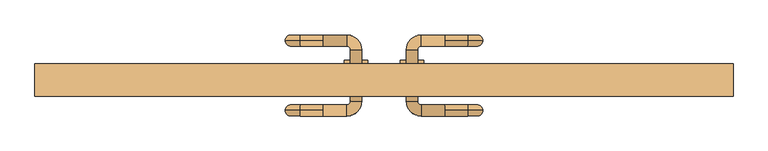
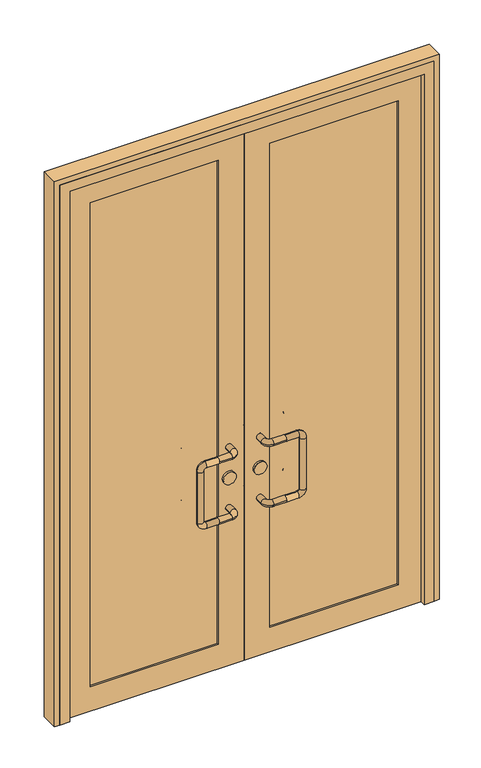
"""IFC4 building model written with IfcOpenShell, lengths in millimetres: door geometry."""

import ifcopenshell
import ifcopenshell.guid

model = None  # the IFC model being written
_history = None  # IfcOwnerHistory: only IFC2X3 demands one
_inside = {}  # id of a spatial element -> (the spatial element, [elements in it])
_under = {}  # id of a project, library or spatial element -> (it, [spatial elements below it])
_declared = {}  # id of a project -> (the project, [libraries it declares])
_typed = {}  # id of a type object -> (the type object, [elements of that type])
_made_of = {}  # id of a material, layer set ... -> (it, [elements and type objects made of it])


def new_model(schema):
    """Start an empty IFC model of exactly this schema.

    Asked for "IFC4X3", IfcOpenShell would pick the latest addendum, in which some entities
    have other attributes; the version numbers below select the first issue.
    IFC2X3 requires an IfcOwnerHistory on every rooted entity: one is made here for all.
    """
    global model, _history
    if schema == "IFC4X3":
        model = ifcopenshell.file(schema_version=(4, 3, 0, 0))
    else:
        model = ifcopenshell.file(schema=schema)
    _inside.clear()
    _under.clear()
    _declared.clear()
    _typed.clear()
    _made_of.clear()
    _history = None
    if model.schema == "IFC2X3":
        org = make("IfcOrganization", Name="unknown")
        user = make(
            "IfcPersonAndOrganization",
            ThePerson=make("IfcPerson", FamilyName="unknown"),
            TheOrganization=org,
        )
        app = make(
            "IfcApplication",
            ApplicationDeveloper=org,
            Version="unknown",
            ApplicationFullName="unknown",
            ApplicationIdentifier="unknown",
        )
        _history = make(
            "IfcOwnerHistory",
            OwningUser=user,
            OwningApplication=app,
            ChangeAction="ADDED",
            CreationDate=0,
        )
    return model


def make(cls, **values):
    """One entity of the class cls with the attributes given. An attribute that is None is left unset."""
    return model.create_entity(
        cls, **{name: value for name, value in values.items() if value is not None}
    )


def rooted(cls, **values):
    """An entity with a GlobalId (a new one), such as an element, a storey or a relation."""
    return make(cls, GlobalId=ifcopenshell.guid.new(), OwnerHistory=_history, **values)


def si_unit(unit_type, name, prefix=None):
    """IfcSIUnit, for example si_unit("LENGTHUNIT", "METRE", prefix="MILLI")."""
    return make("IfcSIUnit", UnitType=unit_type, Prefix=prefix, Name=name)


def assignment(units):
    """IfcUnitAssignment: the units of a project."""
    return None if units is None else make("IfcUnitAssignment", Units=units)


def point(xyz):
    """IfcCartesianPoint."""
    return None if xyz is None else make("IfcCartesianPoint", Coordinates=xyz)


def direction(xyz):
    """IfcDirection."""
    return None if xyz is None else make("IfcDirection", DirectionRatios=xyz)


def frame(location, z_axis=None, x_axis=None):
    """IfcAxis2Placement3D, a coordinate frame: its origin and axes. An axis left out is left unset."""
    return make(
        "IfcAxis2Placement3D",
        Location=point(location),
        Axis=direction(z_axis),
        RefDirection=direction(x_axis),
    )


def frame_2d(location, x_axis=None):
    """IfcAxis2Placement2D, a coordinate frame in the plane: its origin and x axis."""
    return make(
        "IfcAxis2Placement2D", Location=point(location), RefDirection=direction(x_axis)
    )


def origin():
    """The frame at (0, 0, 0) with its axes left unset."""
    return frame((0.0, 0.0, 0.0))


def place(relative_to, where):
    """IfcLocalPlacement: puts the frame where relative to a parent placement (None: the world)."""
    return make(
        "IfcLocalPlacement", PlacementRelTo=relative_to, RelativePlacement=where
    )


def context(
    kind, dimensions, precision=None, world=None, true_north=None, identifier=None
):
    """IfcGeometricRepresentationContext, for example the 3D "Model" context."""
    return make(
        "IfcGeometricRepresentationContext",
        ContextIdentifier=identifier,
        ContextType=kind,
        CoordinateSpaceDimension=dimensions,
        Precision=precision,
        WorldCoordinateSystem=world,
        TrueNorth=true_north,
    )


def project(units=None, contexts=None):
    """IfcProject with its units and contexts."""
    return rooted(
        "IfcProject",
        Name="project",
        RepresentationContexts=contexts,
        UnitsInContext=assignment(units),
    )


def spatial(cls, under=None, at=None, **own):
    """A site, building, storey or space (cls), placed at a placement, below another one or the project."""
    s = rooted(cls, ObjectPlacement=at, **own)
    if under is not None:
        _under.setdefault(under.id(), (under, []))[1].append(s)
    return s


def polyline(points):
    """IfcPolyline through the points."""
    return make("IfcPolyline", Points=[point(p) for p in points])


def circle_curve(where, radius):
    """IfcCircle in the frame where."""
    return make("IfcCircle", Position=where, Radius=radius)


def ellipse_curve(where, semi_axis1, semi_axis2):
    """IfcEllipse in the frame where."""
    return make(
        "IfcEllipse", Position=where, SemiAxis1=semi_axis1, SemiAxis2=semi_axis2
    )


def trimmed(basis, trim1, trim2, sense, master):
    """IfcTrimmedCurve: the piece of a basis curve between two trims."""
    return make(
        "IfcTrimmedCurve",
        BasisCurve=basis,
        Trim1=trim1,
        Trim2=trim2,
        SenseAgreement=sense,
        MasterRepresentation=master,
    )


def segment(curve, same_sense, transition):
    """IfcCompositeCurveSegment."""
    return make(
        "IfcCompositeCurveSegment",
        Transition=transition,
        SameSense=same_sense,
        ParentCurve=curve,
    )


def composite_curve(segments, self_intersect=None):
    """IfcCompositeCurve: segments joined end to end."""
    return make("IfcCompositeCurve", Segments=segments, SelfIntersect=self_intersect)


def outline(outer, holes=None, kind="AREA"):
    """IfcArbitraryClosedProfileDef: a profile drawn as a closed curve; with holes, ...WithVoids."""
    if holes is None:
        return make("IfcArbitraryClosedProfileDef", ProfileType=kind, OuterCurve=outer)
    return make(
        "IfcArbitraryProfileDefWithVoids",
        ProfileType=kind,
        OuterCurve=outer,
        InnerCurves=holes,
    )


def extrude(swept, where, along, depth):
    """IfcExtrudedAreaSolid: the profile swept, set in the frame where, extruded along a direction by depth."""
    return make(
        "IfcExtrudedAreaSolid",
        SweptArea=swept,
        Position=where,
        ExtrudedDirection=direction(along),
        Depth=depth,
    )


def faces_of(points, faces, orient=None, outer=None):
    """IfcFace entities. A face is a list of loops; a loop is a list of indices into points, from 0.

    orient and outer hold one flag for each loop. By default every Orientation is true, the
    first loop of a face is its IfcFaceOuterBound and the others are IfcFaceBound.
    """
    made = []
    for i, loops in enumerate(faces):
        bounds = []
        for j, loop in enumerate(loops):
            is_outer = j == 0 if outer is None else outer[i][j]
            bounds.append(
                make(
                    "IfcFaceOuterBound" if is_outer else "IfcFaceBound",
                    Bound=make("IfcPolyLoop", Polygon=[points[k] for k in loop]),
                    Orientation=True if orient is None else orient[i][j],
                )
            )
        made.append(make("IfcFace", Bounds=bounds))
    return made


def faceted_brep(points, faces, orient=None, outer=None, voids=None):
    """IfcFacetedBrep: a solid bounded by flat faces; with voids (closed shells), ...WithVoids."""
    shared = [point(p) for p in points]
    hull = make("IfcClosedShell", CfsFaces=faces_of(shared, faces, orient, outer))
    if voids is None:
        return make("IfcFacetedBrep", Outer=hull)
    return make(
        "IfcFacetedBrepWithVoids",
        Outer=hull,
        Voids=[
            make(cls, CfsFaces=faces_of(shared, fs, o, b)) for cls, fs, o, b in voids
        ],
    )


def shape(context_of_items, identifier, shape_type, items):
    """IfcShapeRepresentation: the items that make up one representation, for example the "Body"."""
    return make(
        "IfcShapeRepresentation",
        ContextOfItems=context_of_items,
        RepresentationIdentifier=identifier,
        RepresentationType=shape_type,
        Items=items,
    )


def source(mapping_origin, context_of_items, identifier, shape_type, items):
    """IfcRepresentationMap: a shape defined once, which mapped items show again and again."""
    return make(
        "IfcRepresentationMap",
        MappingOrigin=mapping_origin,
        MappedRepresentation=shape(context_of_items, identifier, shape_type, items),
    )


def transform(
    local_origin,
    x_axis=None,
    y_axis=None,
    z_axis=None,
    scale=None,
    scale2=None,
    scale3=None,
    uniform=True,
):
    """IfcCartesianTransformationOperator3D, or its non-uniform kind. x_axis, y_axis, z_axis: its Axis1, 2, 3."""
    if uniform:
        return make(
            "IfcCartesianTransformationOperator3D",
            Axis1=direction(x_axis),
            Axis2=direction(y_axis),
            LocalOrigin=point(local_origin),
            Scale=scale,
            Axis3=direction(z_axis),
        )
    return make(
        "IfcCartesianTransformationOperator3DnonUniform",
        Axis1=direction(x_axis),
        Axis2=direction(y_axis),
        LocalOrigin=point(local_origin),
        Scale=scale,
        Axis3=direction(z_axis),
        Scale2=scale2,
        Scale3=scale3,
    )


def mapped(mapping_source, mapping_target):
    """IfcMappedItem: shows the shape of a source again, moved by a transform."""
    return make(
        "IfcMappedItem", MappingSource=mapping_source, MappingTarget=mapping_target
    )


def made_of(thing, what):
    """Note that an element or type object is made of a material, layer set ...; save() writes the relation."""
    if what is not None:
        _made_of.setdefault(what.id(), (what, []))[1].append(thing)
    return thing


def element(
    cls,
    number,
    at=None,
    inside=None,
    cuts=None,
    type_object=None,
    material=None,
    context=None,
    identifier="Body",
    shape_type=None,
    held_by="IfcProductDefinitionShape",
    body=None,
    shapes=None,
    **own,
):
    """One element of the class cls, such as IfcWall. Its Tag is "e" and its number.

    at: its placement. inside: the storey or other place that contains it. cuts: it is an
    opening in that element (IfcRelVoidsElement). A single representation is given by context,
    identifier, shape_type and body (its items); several are given by shapes. held_by: the class
    of the entity that holds the representations. save() writes the other relations.
    """
    e = rooted(cls, Tag="e%d" % number, ObjectPlacement=at, **own)
    if body is not None:
        shapes = [shape(context, identifier, shape_type, body)]
    if shapes is not None:
        e.Representation = make(held_by, Representations=shapes)
    if inside is not None:
        _inside.setdefault(inside.id(), (inside, []))[1].append(e)
    if cuts is not None:
        rooted(
            "IfcRelVoidsElement", RelatingBuildingElement=cuts, RelatedOpeningElement=e
        )
    if type_object is not None:
        _typed.setdefault(type_object.id(), (type_object, []))[1].append(e)
    return made_of(e, material)


def aggregate(whole, parts):
    """IfcRelAggregates: a whole, such as a stair, and the parts it consists of."""
    return rooted("IfcRelAggregates", RelatingObject=whole, RelatedObjects=parts)


def save(model, path):
    """Write the relations noted so far, then the file.

    IfcRelAggregates (storeys below a building ...), IfcRelContainedInSpatialStructure (elements
    in a storey), IfcRelDefinesByType, IfcRelAssociatesMaterial and IfcRelDeclares: one each for
    every whole, place, type object, material and project.
    """
    for whole, parts in _under.values():
        aggregate(whole, parts)
    for where, things in _inside.values():
        rooted(
            "IfcRelContainedInSpatialStructure",
            RelatedElements=things,
            RelatingStructure=where,
        )
    for kind, things in _typed.values():
        rooted("IfcRelDefinesByType", RelatedObjects=things, RelatingType=kind)
    for what, things in _made_of.values():
        rooted("IfcRelAssociatesMaterial", RelatedObjects=things, RelatingMaterial=what)
    for by, libraries in _declared.values():
        rooted("IfcRelDeclares", RelatingContext=by, RelatedDefinitions=libraries)
    model.write(path)


def cylinder_surface(at, radius):
    """IfcCylindricalSurface: all points at the distance radius from the z axis of the frame at."""
    return make("IfcCylindricalSurface", Position=at, Radius=radius)


def revolved_surface(curve, axis_point, axis_direction):
    """IfcSurfaceOfRevolution: the curve turned about the line through axis_point along axis_direction."""
    return make(
        "IfcSurfaceOfRevolution",
        SweptCurve=make("IfcArbitraryOpenProfileDef", ProfileType="CURVE", Curve=curve),
        AxisPosition=make("IfcAxis1Placement", Location=point(axis_point), Axis=direction(axis_direction)),
    )


def advanced_brep(points, edges, surfaces, faces):
    """IfcAdvancedBrep: a solid bounded by faces that lie on surfaces and meet in shared edges.

    An edge is (start, end): straight between two places in points (the first is 0);
    or (start, end, curve); or (start, end, curve, False) where it runs against its curve.
    A face is (place in surfaces, loops), or (place, loops, False) where it looks against
    its surface's normal. A loop lists edges by number (the first is 1), with a minus sign
    where the edge is run from its end to its start. The first loop is the outer one.
    """
    corners = [point(p) for p in points]
    vertices = [make("IfcVertexPoint", VertexGeometry=c) for c in corners]
    made = []
    for start, end, *more in edges:
        made.append(
            make(
                "IfcEdgeCurve",
                EdgeStart=vertices[start],
                EdgeEnd=vertices[end],
                EdgeGeometry=more[0] if more else make("IfcPolyline", Points=[corners[start], corners[end]]),
                SameSense=more[1] if len(more) > 1 else True,
            )
        )
    hull = []
    for where, loops, *sense in faces:
        bounds = []
        for j, loop in enumerate(loops):
            ring = [make("IfcOrientedEdge", EdgeElement=made[abs(k) - 1], Orientation=k > 0) for k in loop]
            bounds.append(
                make(
                    "IfcFaceOuterBound" if j == 0 else "IfcFaceBound",
                    Bound=make("IfcEdgeLoop", EdgeList=ring),
                    Orientation=True,
                )
            )
        hull.append(make("IfcAdvancedFace", Bounds=bounds, FaceSurface=surfaces[where], SameSense=sense[0] if sense else True))
    return make("IfcAdvancedBrep", Outer=make("IfcClosedShell", CfsFaces=hull))


def door_b24e031a(model_context):
    return source(origin(), model_context, "Body", "SolidModel", [
        advanced_brep(
        [(-130.0, 62.0, 900.0), (-130.0, 50.0, 912.0), (-130.0, 38.0, 900.0), (-80.0, 38.0, 900.0), (-80.0, 62.0, 900.0), (-130.0, 50.0, 888.0), (-72.0, 30.0, 900.0), (-48.0, 30.0, 900.0), (-72.0, -80.0, 900.0), (-48.0, -80.0, 900.0), (-80.0, -88.0, 900.0), (-80.0, -112.0, 900.0), (-130.0, -88.0, 900.0), (-130.0, -100.0, 912.0), (-130.0, -112.0, 900.0), (-130.0, -100.0, 888.0), (-180.0, 50.0, 912.0), (-180.0, 50.0, 888.0), (-212.0, 50.0, 880.0), (-188.0, 50.0, 880.0), (-212.0, 50.0, 670.0), (-188.0, 50.0, 670.0), (-180.0, 50.0, 638.0), (-180.0, 50.0, 662.0), (-130.0, 50.0, 638.0), (-130.0, 38.0, 650.0), (-130.0, 50.0, 662.0), (-130.0, 62.0, 650.0), (-80.0, 38.0, 650.0), (-80.0, 62.0, 650.0), (-72.0, 30.0, 650.0), (-48.0, 30.0, 650.0), (-72.0, -80.0, 650.0), (-48.0, -80.0, 650.0), (-80.0, -88.0, 650.0), (-80.0, -112.0, 650.0), (-130.0, -88.0, 650.0), (-130.0, -100.0, 662.0), (-130.0, -112.0, 650.0), (-130.0, -100.0, 638.0), (-180.0, -100.0, 912.0), (-180.0, -100.0, 888.0), (-212.0, -100.0, 880.0), (-188.0, -100.0, 880.0), (-212.0, -100.0, 670.0), (-188.0, -100.0, 670.0), (-180.0, -100.0, 638.0), (-180.0, -100.0, 662.0)],
        [
            (0, 1, circle_curve(frame((-130.0, 50.0, 900.0), z_axis=(1.0, 0.0, 0.0), x_axis=(0.0, -1.0, 0.0)), 12.0)),
            (1, 2, circle_curve(frame((-130.0, 50.0, 900.0), z_axis=(1.0, 0.0, 0.0), x_axis=(0.0, -1.0, 0.0)), 12.0)),
            (2, 3),
            (3, 4, circle_curve(frame((-80.0, 50.0, 900.0), z_axis=(-1.0, 0.0, 0.0), x_axis=(0.0, -1.0, 0.0)), 12.0)),
            (4, 0),
            (4, 3, circle_curve(frame((-80.0, 50.0, 900.0), z_axis=(-1.0, 0.0, 0.0), x_axis=(0.0, -1.0, 0.0)), 12.0)),
            (2, 5, circle_curve(frame((-130.0, 50.0, 900.0), z_axis=(1.0, 0.0, 0.0), x_axis=(0.0, -1.0, 0.0)), 12.0)),
            (5, 0, circle_curve(frame((-130.0, 50.0, 900.0), z_axis=(1.0, 0.0, 0.0), x_axis=(0.0, -1.0, 0.0)), 12.0)),
            (3, 6, circle_curve(frame((-80.0, 30.0, 900.0), z_axis=(0.0, 0.0, -1.0), x_axis=(0.0, 1.0, 0.0)), 8.0)),
            (6, 7, circle_curve(frame((-60.0, 30.0, 900.0), z_axis=(0.0, 1.0, 0.0), x_axis=(-1.0, 0.0, 0.0)), 12.0)),
            (7, 4, circle_curve(frame((-80.0, 30.0, 900.0), z_axis=(0.0, 0.0, 1.0), x_axis=(0.0, 1.0, 0.0)), 32.0)),
            (7, 6, circle_curve(frame((-60.0, 30.0, 900.0), z_axis=(0.0, 1.0, 0.0), x_axis=(-1.0, 0.0, 0.0)), 12.0)),
            (6, 8),
            (8, 9, circle_curve(frame((-60.0, -80.0, 900.0), z_axis=(0.0, 1.0, 0.0), x_axis=(-1.0, 0.0, 0.0)), 12.0)),
            (9, 7),
            (9, 8, circle_curve(frame((-60.0, -80.0, 900.0), z_axis=(0.0, 1.0, 0.0), x_axis=(-1.0, 0.0, 0.0)), 12.0)),
            (8, 10, circle_curve(frame((-80.0, -80.0, 900.0), z_axis=(0.0, 0.0, -1.0), x_axis=(1.0, 0.0, 0.0)), 8.0)),
            (10, 11, circle_curve(frame((-80.0, -100.0, 900.0), z_axis=(1.0, 0.0, 0.0), x_axis=(0.0, 1.0, 0.0)), 12.0)),
            (11, 9, circle_curve(frame((-80.0, -80.0, 900.0), z_axis=(0.0, 0.0, 1.0), x_axis=(1.0, 0.0, 0.0)), 32.0)),
            (11, 10, circle_curve(frame((-80.0, -100.0, 900.0), z_axis=(1.0, 0.0, 0.0), x_axis=(0.0, 1.0, 0.0)), 12.0)),
            (10, 12),
            (12, 13, circle_curve(frame((-130.0, -100.0, 900.0), z_axis=(1.0, 0.0, 0.0), x_axis=(0.0, 1.0, 0.0)), 12.0)),
            (13, 14, circle_curve(frame((-130.0, -100.0, 900.0), z_axis=(1.0, 0.0, 0.0), x_axis=(0.0, 1.0, 0.0)), 12.0)),
            (14, 11),
            (14, 15, circle_curve(frame((-130.0, -100.0, 900.0), z_axis=(1.0, 0.0, 0.0), x_axis=(0.0, 1.0, 0.0)), 12.0)),
            (15, 12, circle_curve(frame((-130.0, -100.0, 900.0), z_axis=(1.0, 0.0, 0.0), x_axis=(0.0, 1.0, 0.0)), 12.0)),
            (1, 16),
            (16, 17, circle_curve(frame((-180.0, 50.0, 900.0), z_axis=(1.0, 0.0, 0.0), x_axis=(0.0, 0.0, 1.0)), 12.0)),
            (17, 5),
            (17, 16, circle_curve(frame((-180.0, 50.0, 900.0), z_axis=(1.0, 0.0, 0.0), x_axis=(0.0, 0.0, 1.0)), 12.0)),
            (16, 18, circle_curve(frame((-180.0, 50.0, 880.0), z_axis=(0.0, -1.0, 0.0), x_axis=(0.0, 0.0, 1.0)), 32.0)),
            (18, 19, circle_curve(frame((-200.0, 50.0, 880.0), z_axis=(0.0, 0.0, 1.0), x_axis=(-1.0, 0.0, 0.0)), 12.0)),
            (19, 17, circle_curve(frame((-180.0, 50.0, 880.0), z_axis=(0.0, 1.0, 0.0), x_axis=(0.0, 0.0, 1.0)), 8.0)),
            (19, 18, circle_curve(frame((-200.0, 50.0, 880.0), z_axis=(0.0, 0.0, 1.0), x_axis=(-1.0, 0.0, 0.0)), 12.0)),
            (18, 20),
            (20, 21, circle_curve(frame((-200.0, 50.0, 670.0), z_axis=(0.0, 0.0, 1.0), x_axis=(-1.0, 0.0, 0.0)), 12.0)),
            (21, 19),
            (21, 20, circle_curve(frame((-200.0, 50.0, 670.0), z_axis=(0.0, 0.0, 1.0), x_axis=(-1.0, 0.0, 0.0)), 12.0)),
            (20, 22, circle_curve(frame((-180.0, 50.0, 670.0), z_axis=(0.0, -1.0, 0.0), x_axis=(-1.0, 0.0, 0.0)), 32.0)),
            (22, 23, circle_curve(frame((-180.0, 50.0, 650.0), z_axis=(-1.0, 0.0, 0.0), x_axis=(0.0, 0.0, -1.0)), 12.0)),
            (23, 21, circle_curve(frame((-180.0, 50.0, 670.0), z_axis=(0.0, 1.0, 0.0), x_axis=(-1.0, 0.0, 0.0)), 8.0)),
            (23, 22, circle_curve(frame((-180.0, 50.0, 650.0), z_axis=(-1.0, 0.0, 0.0), x_axis=(0.0, 0.0, -1.0)), 12.0)),
            (22, 24),
            (24, 25, circle_curve(frame((-130.0, 50.0, 650.0), z_axis=(-1.0, 0.0, 0.0), x_axis=(0.0, 0.0, -1.0)), 12.0)),
            (25, 26, circle_curve(frame((-130.0, 50.0, 650.0), z_axis=(-1.0, 0.0, 0.0), x_axis=(0.0, 0.0, -1.0)), 12.0)),
            (26, 23),
            (26, 27, circle_curve(frame((-130.0, 50.0, 650.0), z_axis=(-1.0, 0.0, 0.0), x_axis=(0.0, 0.0, -1.0)), 12.0)),
            (27, 24, circle_curve(frame((-130.0, 50.0, 650.0), z_axis=(-1.0, 0.0, 0.0), x_axis=(0.0, 0.0, -1.0)), 12.0)),
            (25, 28),
            (28, 29, circle_curve(frame((-80.0, 50.0, 650.0), z_axis=(-1.0, 0.0, 0.0), x_axis=(0.0, -1.0, 0.0)), 12.0)),
            (29, 27),
            (29, 28, circle_curve(frame((-80.0, 50.0, 650.0), z_axis=(-1.0, 0.0, 0.0), x_axis=(0.0, -1.0, 0.0)), 12.0)),
            (28, 30, circle_curve(frame((-80.0, 30.0, 650.0), z_axis=(0.0, 0.0, -1.0), x_axis=(0.0, 1.0, 0.0)), 8.0)),
            (30, 31, circle_curve(frame((-60.0, 30.0, 650.0), z_axis=(0.0, 1.0, 0.0), x_axis=(-1.0, 0.0, 0.0)), 12.0)),
            (31, 29, circle_curve(frame((-80.0, 30.0, 650.0), z_axis=(0.0, 0.0, 1.0), x_axis=(0.0, 1.0, 0.0)), 32.0)),
            (31, 30, circle_curve(frame((-60.0, 30.0, 650.0), z_axis=(0.0, 1.0, 0.0), x_axis=(-1.0, 0.0, 0.0)), 12.0)),
            (30, 32),
            (32, 33, circle_curve(frame((-60.0, -80.0, 650.0), z_axis=(0.0, 1.0, 0.0), x_axis=(-1.0, 0.0, 0.0)), 12.0)),
            (33, 31),
            (33, 32, circle_curve(frame((-60.0, -80.0, 650.0), z_axis=(0.0, 1.0, 0.0), x_axis=(-1.0, 0.0, 0.0)), 12.0)),
            (32, 34, circle_curve(frame((-80.0, -80.0, 650.0), z_axis=(0.0, 0.0, -1.0), x_axis=(1.0, 0.0, 0.0)), 8.0)),
            (34, 35, circle_curve(frame((-80.0, -100.0, 650.0), z_axis=(1.0, 0.0, 0.0), x_axis=(0.0, 1.0, 0.0)), 12.0)),
            (35, 33, circle_curve(frame((-80.0, -80.0, 650.0), z_axis=(0.0, 0.0, 1.0), x_axis=(1.0, 0.0, 0.0)), 32.0)),
            (35, 34, circle_curve(frame((-80.0, -100.0, 650.0), z_axis=(1.0, 0.0, 0.0), x_axis=(0.0, 1.0, 0.0)), 12.0)),
            (34, 36),
            (36, 37, circle_curve(frame((-130.0, -100.0, 650.0), z_axis=(1.0, 0.0, 0.0), x_axis=(0.0, 1.0, 0.0)), 12.0)),
            (37, 38, circle_curve(frame((-130.0, -100.0, 650.0), z_axis=(1.0, 0.0, 0.0), x_axis=(0.0, 1.0, 0.0)), 12.0)),
            (38, 35),
            (38, 39, circle_curve(frame((-130.0, -100.0, 650.0), z_axis=(1.0, 0.0, 0.0), x_axis=(0.0, 1.0, 0.0)), 12.0)),
            (39, 36, circle_curve(frame((-130.0, -100.0, 650.0), z_axis=(1.0, 0.0, 0.0), x_axis=(0.0, 1.0, 0.0)), 12.0)),
            (13, 40),
            (40, 41, circle_curve(frame((-180.0, -100.0, 900.0), z_axis=(1.0, 0.0, 0.0), x_axis=(0.0, 0.0, 1.0)), 12.0)),
            (41, 15),
            (41, 40, circle_curve(frame((-180.0, -100.0, 900.0), z_axis=(1.0, 0.0, 0.0), x_axis=(0.0, 0.0, 1.0)), 12.0)),
            (40, 42, circle_curve(frame((-180.0, -100.0, 880.0), z_axis=(0.0, -1.0, 0.0), x_axis=(0.0, 0.0, 1.0)), 32.0)),
            (42, 43, circle_curve(frame((-200.0, -100.0, 880.0), z_axis=(0.0, 0.0, 1.0), x_axis=(-1.0, 0.0, 0.0)), 12.0)),
            (43, 41, circle_curve(frame((-180.0, -100.0, 880.0), z_axis=(0.0, 1.0, 0.0), x_axis=(0.0, 0.0, 1.0)), 8.0)),
            (43, 42, circle_curve(frame((-200.0, -100.0, 880.0), z_axis=(0.0, 0.0, 1.0), x_axis=(-1.0, 0.0, 0.0)), 12.0)),
            (42, 44),
            (44, 45, circle_curve(frame((-200.0, -100.0, 670.0), z_axis=(0.0, 0.0, 1.0), x_axis=(-1.0, 0.0, 0.0)), 12.0)),
            (45, 43),
            (45, 44, circle_curve(frame((-200.0, -100.0, 670.0), z_axis=(0.0, 0.0, 1.0), x_axis=(-1.0, 0.0, 0.0)), 12.0)),
            (44, 46, circle_curve(frame((-180.0, -100.0, 670.0), z_axis=(0.0, -1.0, 0.0), x_axis=(-1.0, 0.0, 0.0)), 32.0)),
            (46, 47, circle_curve(frame((-180.0, -100.0, 650.0), z_axis=(-1.0, 0.0, 0.0), x_axis=(0.0, 0.0, -1.0)), 12.0)),
            (47, 45, circle_curve(frame((-180.0, -100.0, 670.0), z_axis=(0.0, 1.0, 0.0), x_axis=(-1.0, 0.0, 0.0)), 8.0)),
            (47, 46, circle_curve(frame((-180.0, -100.0, 650.0), z_axis=(-1.0, 0.0, 0.0), x_axis=(0.0, 0.0, -1.0)), 12.0)),
            (46, 39),
            (37, 47),
        ],
        [
            cylinder_surface(frame((-130.0, 50.0, 900.0), z_axis=(-1.0, 0.0, 0.0), x_axis=(0.0, -1.0, 0.0)), 12.0),
            revolved_surface(trimmed(ellipse_curve(frame((-80.0, 50.0, 900.0), z_axis=(1.0, 0.0, 0.0), x_axis=(0.0, -1.0, 0.0)), 12.0, 12.0), [point((-80.0, 62.0, 900.0))], [point((-80.0, 38.0, 900.0))], True, "CARTESIAN"), (-80.0, 30.0, 900.0), (0.0, 0.0, 1.0)),
            revolved_surface(trimmed(ellipse_curve(frame((-80.0, 50.0, 900.0), z_axis=(1.0, 0.0, 0.0), x_axis=(0.0, -1.0, 0.0)), 12.0, 12.0), [point((-80.0, 38.0, 900.0))], [point((-80.0, 62.0, 900.0))], True, "CARTESIAN"), (-80.0, 30.0, 900.0), (0.0, 0.0, 1.0)),
            cylinder_surface(frame((-60.0, 30.0, 900.0), z_axis=(0.0, 1.0, 0.0), x_axis=(-1.0, 0.0, 0.0)), 12.0),
            revolved_surface(trimmed(ellipse_curve(frame((-60.0, -80.0, 900.0), z_axis=(0.0, -1.0, 0.0), x_axis=(-1.0, 0.0, 0.0)), 12.0, 12.0), [point((-48.0, -80.0, 900.0))], [point((-72.0, -80.0, 900.0))], True, "CARTESIAN"), (-80.0, -80.0, 900.0), (0.0, 0.0, 1.0)),
            revolved_surface(trimmed(ellipse_curve(frame((-60.0, -80.0, 900.0), z_axis=(0.0, -1.0, 0.0), x_axis=(-1.0, 0.0, 0.0)), 12.0, 12.0), [point((-72.0, -80.0, 900.0))], [point((-48.0, -80.0, 900.0))], True, "CARTESIAN"), (-80.0, -80.0, 900.0), (0.0, 0.0, 1.0)),
            cylinder_surface(frame((-80.0, -100.0, 900.0), z_axis=(1.0, 0.0, 0.0), x_axis=(0.0, 1.0, 0.0)), 12.0),
            cylinder_surface(frame((-130.0, 50.0, 900.0), z_axis=(1.0, 0.0, 0.0), x_axis=(0.0, 0.0, 1.0)), 12.0),
            revolved_surface(trimmed(ellipse_curve(frame((-180.0, 50.0, 900.0), z_axis=(-1.0, 0.0, 0.0), x_axis=(0.0, 0.0, 1.0)), 12.0, 12.0), [point((-180.0, 50.0, 888.0))], [point((-180.0, 50.0, 912.0))], True, "CARTESIAN"), (-180.0, 50.0, 880.0), (0.0, 1.0, 0.0)),
            revolved_surface(trimmed(ellipse_curve(frame((-180.0, 50.0, 900.0), z_axis=(-1.0, 0.0, 0.0), x_axis=(0.0, 0.0, 1.0)), 12.0, 12.0), [point((-180.0, 50.0, 912.0))], [point((-180.0, 50.0, 888.0))], True, "CARTESIAN"), (-180.0, 50.0, 880.0), (0.0, 1.0, 0.0)),
            cylinder_surface(frame((-200.0, 50.0, 880.0), z_axis=(0.0, 0.0, 1.0), x_axis=(-1.0, 0.0, 0.0)), 12.0),
            revolved_surface(trimmed(ellipse_curve(frame((-200.0, 50.0, 670.0), z_axis=(0.0, 0.0, -1.0), x_axis=(-1.0, 0.0, 0.0)), 12.0, 12.0), [point((-188.0, 50.0, 670.0))], [point((-212.0, 50.0, 670.0))], True, "CARTESIAN"), (-180.0, 50.0, 670.0), (0.0, 1.0, 0.0)),
            revolved_surface(trimmed(ellipse_curve(frame((-200.0, 50.0, 670.0), z_axis=(0.0, 0.0, -1.0), x_axis=(-1.0, 0.0, 0.0)), 12.0, 12.0), [point((-212.0, 50.0, 670.0))], [point((-188.0, 50.0, 670.0))], True, "CARTESIAN"), (-180.0, 50.0, 670.0), (0.0, 1.0, 0.0)),
            cylinder_surface(frame((-180.0, 50.0, 650.0), z_axis=(-1.0, 0.0, 0.0), x_axis=(0.0, 0.0, -1.0)), 12.0),
            cylinder_surface(frame((-130.0, 50.0, 650.0), z_axis=(-1.0, 0.0, 0.0), x_axis=(0.0, -1.0, 0.0)), 12.0),
            revolved_surface(trimmed(ellipse_curve(frame((-80.0, 50.0, 650.0), z_axis=(1.0, 0.0, 0.0), x_axis=(0.0, -1.0, 0.0)), 12.0, 12.0), [point((-80.0, 62.0, 650.0))], [point((-80.0, 38.0, 650.0))], True, "CARTESIAN"), (-80.0, 30.0, 650.0), (0.0, 0.0, 1.0)),
            revolved_surface(trimmed(ellipse_curve(frame((-80.0, 50.0, 650.0), z_axis=(1.0, 0.0, 0.0), x_axis=(0.0, -1.0, 0.0)), 12.0, 12.0), [point((-80.0, 38.0, 650.0))], [point((-80.0, 62.0, 650.0))], True, "CARTESIAN"), (-80.0, 30.0, 650.0), (0.0, 0.0, 1.0)),
            cylinder_surface(frame((-60.0, 30.0, 650.0), z_axis=(0.0, 1.0, 0.0), x_axis=(-1.0, 0.0, 0.0)), 12.0),
            revolved_surface(trimmed(ellipse_curve(frame((-60.0, -80.0, 650.0), z_axis=(0.0, -1.0, 0.0), x_axis=(-1.0, 0.0, 0.0)), 12.0, 12.0), [point((-48.0, -80.0, 650.0))], [point((-72.0, -80.0, 650.0))], True, "CARTESIAN"), (-80.0, -80.0, 650.0), (0.0, 0.0, 1.0)),
            revolved_surface(trimmed(ellipse_curve(frame((-60.0, -80.0, 650.0), z_axis=(0.0, -1.0, 0.0), x_axis=(-1.0, 0.0, 0.0)), 12.0, 12.0), [point((-72.0, -80.0, 650.0))], [point((-48.0, -80.0, 650.0))], True, "CARTESIAN"), (-80.0, -80.0, 650.0), (0.0, 0.0, 1.0)),
            cylinder_surface(frame((-80.0, -100.0, 650.0), z_axis=(1.0, 0.0, 0.0), x_axis=(0.0, 1.0, 0.0)), 12.0),
            cylinder_surface(frame((-130.0, -100.0, 900.0), z_axis=(1.0, 0.0, 0.0), x_axis=(0.0, 0.0, 1.0)), 12.0),
            revolved_surface(trimmed(ellipse_curve(frame((-180.0, -100.0, 900.0), z_axis=(-1.0, 0.0, 0.0), x_axis=(0.0, 0.0, 1.0)), 12.0, 12.0), [point((-180.0, -100.0, 888.0))], [point((-180.0, -100.0, 912.0))], True, "CARTESIAN"), (-180.0, -100.0, 880.0), (0.0, 1.0, 0.0)),
            revolved_surface(trimmed(ellipse_curve(frame((-180.0, -100.0, 900.0), z_axis=(-1.0, 0.0, 0.0), x_axis=(0.0, 0.0, 1.0)), 12.0, 12.0), [point((-180.0, -100.0, 912.0))], [point((-180.0, -100.0, 888.0))], True, "CARTESIAN"), (-180.0, -100.0, 880.0), (0.0, 1.0, 0.0)),
            cylinder_surface(frame((-200.0, -100.0, 880.0), z_axis=(0.0, 0.0, 1.0), x_axis=(-1.0, 0.0, 0.0)), 12.0),
            revolved_surface(trimmed(ellipse_curve(frame((-200.0, -100.0, 670.0), z_axis=(0.0, 0.0, -1.0), x_axis=(-1.0, 0.0, 0.0)), 12.0, 12.0), [point((-188.0, -100.0, 670.0))], [point((-212.0, -100.0, 670.0))], True, "CARTESIAN"), (-180.0, -100.0, 670.0), (0.0, 1.0, 0.0)),
            revolved_surface(trimmed(ellipse_curve(frame((-200.0, -100.0, 670.0), z_axis=(0.0, 0.0, -1.0), x_axis=(-1.0, 0.0, 0.0)), 12.0, 12.0), [point((-212.0, -100.0, 670.0))], [point((-188.0, -100.0, 670.0))], True, "CARTESIAN"), (-180.0, -100.0, 670.0), (0.0, 1.0, 0.0)),
            cylinder_surface(frame((-180.0, -100.0, 650.0), z_axis=(-1.0, 0.0, 0.0), x_axis=(0.0, 0.0, -1.0)), 12.0),
        ],
        [
            (0, [[1, 2, 3, 4, 5]]),
            (0, [[6, -3, 7, 8, -5]]),
            (1, [[9, 10, 11, -4]]),
            (2, [[-11, 12, -9, -6]]),
            (3, [[13, 14, 15, -10]]),
            (3, [[-15, 16, -13, -12]]),
            (4, [[17, 18, 19, -14]]),
            (5, [[-19, 20, -17, -16]]),
            (6, [[21, 22, 23, 24, -18]]),
            (6, [[-24, 25, 26, -21, -20]]),
            (7, [[-7, -2, 27, 28, 29]]),
            (7, [[30, -27, -1, -8, -29]]),
            (8, [[31, 32, 33, -28]]),
            (9, [[-33, 34, -31, -30]]),
            (10, [[35, 36, 37, -32]]),
            (10, [[-37, 38, -35, -34]]),
            (11, [[39, 40, 41, -36]]),
            (12, [[-41, 42, -39, -38]]),
            (13, [[43, 44, 45, 46, -40]]),
            (13, [[-46, 47, 48, -43, -42]]),
            (14, [[-47, -45, 49, 50, 51]]),
            (14, [[52, -49, -44, -48, -51]]),
            (15, [[53, 54, 55, -50]]),
            (16, [[-55, 56, -53, -52]]),
            (17, [[57, 58, 59, -54]]),
            (17, [[-59, 60, -57, -56]]),
            (18, [[61, 62, 63, -58]]),
            (19, [[-63, 64, -61, -60]]),
            (20, [[65, 66, 67, 68, -62]]),
            (20, [[-68, 69, 70, -65, -64]]),
            (21, [[-25, -23, 71, 72, 73]]),
            (21, [[74, -71, -22, -26, -73]]),
            (22, [[75, 76, 77, -72]]),
            (23, [[-77, 78, -75, -74]]),
            (24, [[79, 80, 81, -76]]),
            (24, [[-81, 82, -79, -78]]),
            (25, [[83, 84, 85, -80]]),
            (26, [[-85, 86, -83, -82]]),
            (27, [[87, -69, -67, 88, -84]]),
            (27, [[-88, -66, -70, -87, -86]]),
        ],
    ),
        extrude(outline(composite_curve([segment(trimmed(circle_curve(frame_2d((775.0, -60.0)), 25.0), [point((775.0, -35.0))], [point((775.0, -85.0))], False, "CARTESIAN"), True, "CONTINUOUS"), segment(trimmed(circle_curve(frame_2d((775.0, -60.0)), 25.0), [point((775.0, -85.0))], [point((775.0, -35.0))], False, "CARTESIAN"), True, "CONTINUOUS")], self_intersect=False)), frame((0.0, -58.0, 0.0), z_axis=(0.0, 1.0, 0.0), x_axis=(0.0, 0.0, 1.0)), (0.0, 0.0, 1.0), 66.0),
        advanced_brep(
        [(130.0, 62.0, 900.0), (80.0, 62.0, 900.0), (80.0, 38.0, 900.0), (130.0, 38.0, 900.0), (130.0, 50.0, 912.0), (130.0, 50.0, 888.0), (48.0, 30.0, 900.0), (72.0, 30.0, 900.0), (48.0, -80.0, 900.0), (72.0, -80.0, 900.0), (80.0, -112.0, 900.0), (80.0, -88.0, 900.0), (130.0, -112.0, 900.0), (130.0, -100.0, 912.0), (130.0, -88.0, 900.0), (130.0, -100.0, 888.0), (180.0, 50.0, 888.0), (180.0, 50.0, 912.0), (188.0, 50.0, 880.0), (212.0, 50.0, 880.0), (188.0, 50.0, 670.0), (212.0, 50.0, 670.0), (180.0, 50.0, 662.0), (180.0, 50.0, 638.0), (130.0, 50.0, 662.0), (130.0, 38.0, 650.0), (130.0, 50.0, 638.0), (130.0, 62.0, 650.0), (80.0, 62.0, 650.0), (80.0, 38.0, 650.0), (48.0, 30.0, 650.0), (72.0, 30.0, 650.0), (48.0, -80.0, 650.0), (72.0, -80.0, 650.0), (80.0, -112.0, 650.0), (80.0, -88.0, 650.0), (130.0, -112.0, 650.0), (130.0, -100.0, 662.0), (130.0, -88.0, 650.0), (130.0, -100.0, 638.0), (180.0, -100.0, 888.0), (180.0, -100.0, 912.0), (188.0, -100.0, 880.0), (212.0, -100.0, 880.0), (188.0, -100.0, 670.0), (212.0, -100.0, 670.0), (180.0, -100.0, 662.0), (180.0, -100.0, 638.0)],
        [
            (0, 1),
            (1, 2, circle_curve(frame((80.0, 50.0, 900.0), z_axis=(1.0, 0.0, 0.0), x_axis=(0.0, -1.0, 0.0)), 12.0)),
            (2, 3),
            (3, 4, circle_curve(frame((130.0, 50.0, 900.0), z_axis=(-1.0, 0.0, 0.0), x_axis=(0.0, -1.0, 0.0)), 12.0)),
            (4, 0, circle_curve(frame((130.0, 50.0, 900.0), z_axis=(-1.0, 0.0, 0.0), x_axis=(0.0, -1.0, 0.0)), 12.0)),
            (0, 5, circle_curve(frame((130.0, 50.0, 900.0), z_axis=(-1.0, 0.0, 0.0), x_axis=(0.0, -1.0, 0.0)), 12.0)),
            (5, 3, circle_curve(frame((130.0, 50.0, 900.0), z_axis=(-1.0, 0.0, 0.0), x_axis=(0.0, -1.0, 0.0)), 12.0)),
            (2, 1, circle_curve(frame((80.0, 50.0, 900.0), z_axis=(1.0, 0.0, 0.0), x_axis=(0.0, -1.0, 0.0)), 12.0)),
            (1, 6, circle_curve(frame((80.0, 30.0, 900.0), z_axis=(0.0, 0.0, 1.0), x_axis=(0.0, 1.0, 0.0)), 32.0)),
            (6, 7, circle_curve(frame((60.0, 30.0, 900.0), z_axis=(0.0, 1.0, 0.0), x_axis=(1.0, 0.0, 0.0)), 12.0)),
            (7, 2, circle_curve(frame((80.0, 30.0, 900.0), z_axis=(0.0, 0.0, -1.0), x_axis=(0.0, 1.0, 0.0)), 8.0)),
            (7, 6, circle_curve(frame((60.0, 30.0, 900.0), z_axis=(0.0, 1.0, 0.0), x_axis=(1.0, 0.0, 0.0)), 12.0)),
            (6, 8),
            (8, 9, circle_curve(frame((60.0, -80.0, 900.0), z_axis=(0.0, 1.0, 0.0), x_axis=(1.0, 0.0, 0.0)), 12.0)),
            (9, 7),
            (9, 8, circle_curve(frame((60.0, -80.0, 900.0), z_axis=(0.0, 1.0, 0.0), x_axis=(1.0, 0.0, 0.0)), 12.0)),
            (8, 10, circle_curve(frame((80.0, -80.0, 900.0), z_axis=(0.0, 0.0, 1.0), x_axis=(-1.0, 0.0, 0.0)), 32.0)),
            (10, 11, circle_curve(frame((80.0, -100.0, 900.0), z_axis=(-1.0, 0.0, 0.0), x_axis=(0.0, 1.0, 0.0)), 12.0)),
            (11, 9, circle_curve(frame((80.0, -80.0, 900.0), z_axis=(0.0, 0.0, -1.0), x_axis=(-1.0, 0.0, 0.0)), 8.0)),
            (11, 10, circle_curve(frame((80.0, -100.0, 900.0), z_axis=(-1.0, 0.0, 0.0), x_axis=(0.0, 1.0, 0.0)), 12.0)),
            (10, 12),
            (12, 13, circle_curve(frame((130.0, -100.0, 900.0), z_axis=(-1.0, 0.0, 0.0), x_axis=(0.0, 1.0, 0.0)), 12.0)),
            (13, 14, circle_curve(frame((130.0, -100.0, 900.0), z_axis=(-1.0, 0.0, 0.0), x_axis=(0.0, 1.0, 0.0)), 12.0)),
            (14, 11),
            (14, 15, circle_curve(frame((130.0, -100.0, 900.0), z_axis=(-1.0, 0.0, 0.0), x_axis=(0.0, 1.0, 0.0)), 12.0)),
            (15, 12, circle_curve(frame((130.0, -100.0, 900.0), z_axis=(-1.0, 0.0, 0.0), x_axis=(0.0, 1.0, 0.0)), 12.0)),
            (5, 16),
            (16, 17, circle_curve(frame((180.0, 50.0, 900.0), z_axis=(-1.0, 0.0, 0.0), x_axis=(0.0, 0.0, 1.0)), 12.0)),
            (17, 4),
            (17, 16, circle_curve(frame((180.0, 50.0, 900.0), z_axis=(-1.0, 0.0, 0.0), x_axis=(0.0, 0.0, 1.0)), 12.0)),
            (16, 18, circle_curve(frame((180.0, 50.0, 880.0), z_axis=(0.0, 1.0, 0.0), x_axis=(0.0, 0.0, 1.0)), 8.0)),
            (18, 19, circle_curve(frame((200.0, 50.0, 880.0), z_axis=(0.0, 0.0, 1.0), x_axis=(1.0, 0.0, 0.0)), 12.0)),
            (19, 17, circle_curve(frame((180.0, 50.0, 880.0), z_axis=(0.0, -1.0, 0.0), x_axis=(0.0, 0.0, 1.0)), 32.0)),
            (19, 18, circle_curve(frame((200.0, 50.0, 880.0), z_axis=(0.0, 0.0, 1.0), x_axis=(1.0, 0.0, 0.0)), 12.0)),
            (18, 20),
            (20, 21, circle_curve(frame((200.0, 50.0, 670.0), z_axis=(0.0, 0.0, 1.0), x_axis=(1.0, 0.0, 0.0)), 12.0)),
            (21, 19),
            (21, 20, circle_curve(frame((200.0, 50.0, 670.0), z_axis=(0.0, 0.0, 1.0), x_axis=(1.0, 0.0, 0.0)), 12.0)),
            (20, 22, circle_curve(frame((180.0, 50.0, 670.0), z_axis=(0.0, 1.0, 0.0), x_axis=(1.0, 0.0, 0.0)), 8.0)),
            (22, 23, circle_curve(frame((180.0, 50.0, 650.0), z_axis=(1.0, 0.0, 0.0), x_axis=(0.0, 0.0, -1.0)), 12.0)),
            (23, 21, circle_curve(frame((180.0, 50.0, 670.0), z_axis=(0.0, -1.0, 0.0), x_axis=(1.0, 0.0, 0.0)), 32.0)),
            (23, 22, circle_curve(frame((180.0, 50.0, 650.0), z_axis=(1.0, 0.0, 0.0), x_axis=(0.0, 0.0, -1.0)), 12.0)),
            (22, 24),
            (24, 25, circle_curve(frame((130.0, 50.0, 650.0), z_axis=(1.0, 0.0, 0.0), x_axis=(0.0, 0.0, -1.0)), 12.0)),
            (25, 26, circle_curve(frame((130.0, 50.0, 650.0), z_axis=(1.0, 0.0, 0.0), x_axis=(0.0, 0.0, -1.0)), 12.0)),
            (26, 23),
            (26, 27, circle_curve(frame((130.0, 50.0, 650.0), z_axis=(1.0, 0.0, 0.0), x_axis=(0.0, 0.0, -1.0)), 12.0)),
            (27, 24, circle_curve(frame((130.0, 50.0, 650.0), z_axis=(1.0, 0.0, 0.0), x_axis=(0.0, 0.0, -1.0)), 12.0)),
            (27, 28),
            (28, 29, circle_curve(frame((80.0, 50.0, 650.0), z_axis=(1.0, 0.0, 0.0), x_axis=(0.0, -1.0, 0.0)), 12.0)),
            (29, 25),
            (29, 28, circle_curve(frame((80.0, 50.0, 650.0), z_axis=(1.0, 0.0, 0.0), x_axis=(0.0, -1.0, 0.0)), 12.0)),
            (28, 30, circle_curve(frame((80.0, 30.0, 650.0), z_axis=(0.0, 0.0, 1.0), x_axis=(0.0, 1.0, 0.0)), 32.0)),
            (30, 31, circle_curve(frame((60.0, 30.0, 650.0), z_axis=(0.0, 1.0, 0.0), x_axis=(1.0, 0.0, 0.0)), 12.0)),
            (31, 29, circle_curve(frame((80.0, 30.0, 650.0), z_axis=(0.0, 0.0, -1.0), x_axis=(0.0, 1.0, 0.0)), 8.0)),
            (31, 30, circle_curve(frame((60.0, 30.0, 650.0), z_axis=(0.0, 1.0, 0.0), x_axis=(1.0, 0.0, 0.0)), 12.0)),
            (30, 32),
            (32, 33, circle_curve(frame((60.0, -80.0, 650.0), z_axis=(0.0, 1.0, 0.0), x_axis=(1.0, 0.0, 0.0)), 12.0)),
            (33, 31),
            (33, 32, circle_curve(frame((60.0, -80.0, 650.0), z_axis=(0.0, 1.0, 0.0), x_axis=(1.0, 0.0, 0.0)), 12.0)),
            (32, 34, circle_curve(frame((80.0, -80.0, 650.0), z_axis=(0.0, 0.0, 1.0), x_axis=(-1.0, 0.0, 0.0)), 32.0)),
            (34, 35, circle_curve(frame((80.0, -100.0, 650.0), z_axis=(-1.0, 0.0, 0.0), x_axis=(0.0, 1.0, 0.0)), 12.0)),
            (35, 33, circle_curve(frame((80.0, -80.0, 650.0), z_axis=(0.0, 0.0, -1.0), x_axis=(-1.0, 0.0, 0.0)), 8.0)),
            (35, 34, circle_curve(frame((80.0, -100.0, 650.0), z_axis=(-1.0, 0.0, 0.0), x_axis=(0.0, 1.0, 0.0)), 12.0)),
            (34, 36),
            (36, 37, circle_curve(frame((130.0, -100.0, 650.0), z_axis=(-1.0, 0.0, 0.0), x_axis=(0.0, 1.0, 0.0)), 12.0)),
            (37, 38, circle_curve(frame((130.0, -100.0, 650.0), z_axis=(-1.0, 0.0, 0.0), x_axis=(0.0, 1.0, 0.0)), 12.0)),
            (38, 35),
            (38, 39, circle_curve(frame((130.0, -100.0, 650.0), z_axis=(-1.0, 0.0, 0.0), x_axis=(0.0, 1.0, 0.0)), 12.0)),
            (39, 36, circle_curve(frame((130.0, -100.0, 650.0), z_axis=(-1.0, 0.0, 0.0), x_axis=(0.0, 1.0, 0.0)), 12.0)),
            (15, 40),
            (40, 41, circle_curve(frame((180.0, -100.0, 900.0), z_axis=(-1.0, 0.0, 0.0), x_axis=(0.0, 0.0, 1.0)), 12.0)),
            (41, 13),
            (41, 40, circle_curve(frame((180.0, -100.0, 900.0), z_axis=(-1.0, 0.0, 0.0), x_axis=(0.0, 0.0, 1.0)), 12.0)),
            (40, 42, circle_curve(frame((180.0, -100.0, 880.0), z_axis=(0.0, 1.0, 0.0), x_axis=(0.0, 0.0, 1.0)), 8.0)),
            (42, 43, circle_curve(frame((200.0, -100.0, 880.0), z_axis=(0.0, 0.0, 1.0), x_axis=(1.0, 0.0, 0.0)), 12.0)),
            (43, 41, circle_curve(frame((180.0, -100.0, 880.0), z_axis=(0.0, -1.0, 0.0), x_axis=(0.0, 0.0, 1.0)), 32.0)),
            (43, 42, circle_curve(frame((200.0, -100.0, 880.0), z_axis=(0.0, 0.0, 1.0), x_axis=(1.0, 0.0, 0.0)), 12.0)),
            (42, 44),
            (44, 45, circle_curve(frame((200.0, -100.0, 670.0), z_axis=(0.0, 0.0, 1.0), x_axis=(1.0, 0.0, 0.0)), 12.0)),
            (45, 43),
            (45, 44, circle_curve(frame((200.0, -100.0, 670.0), z_axis=(0.0, 0.0, 1.0), x_axis=(1.0, 0.0, 0.0)), 12.0)),
            (44, 46, circle_curve(frame((180.0, -100.0, 670.0), z_axis=(0.0, 1.0, 0.0), x_axis=(1.0, 0.0, 0.0)), 8.0)),
            (46, 47, circle_curve(frame((180.0, -100.0, 650.0), z_axis=(1.0, 0.0, 0.0), x_axis=(0.0, 0.0, -1.0)), 12.0)),
            (47, 45, circle_curve(frame((180.0, -100.0, 670.0), z_axis=(0.0, -1.0, 0.0), x_axis=(1.0, 0.0, 0.0)), 32.0)),
            (47, 46, circle_curve(frame((180.0, -100.0, 650.0), z_axis=(1.0, 0.0, 0.0), x_axis=(0.0, 0.0, -1.0)), 12.0)),
            (46, 37),
            (39, 47),
        ],
        [
            cylinder_surface(frame((130.0, 50.0, 900.0), z_axis=(1.0, 0.0, 0.0), x_axis=(0.0, -1.0, 0.0)), 12.0),
            revolved_surface(trimmed(ellipse_curve(frame((80.0, 50.0, 900.0), z_axis=(1.0, 0.0, 0.0), x_axis=(0.0, -1.0, 0.0)), 12.0, 12.0), [point((80.0, 62.0, 900.0))], [point((80.0, 38.0, 900.0))], True, "CARTESIAN"), (80.0, 30.0, 900.0), (0.0, 0.0, 1.0)),
            revolved_surface(trimmed(ellipse_curve(frame((80.0, 50.0, 900.0), z_axis=(1.0, 0.0, 0.0), x_axis=(0.0, -1.0, 0.0)), 12.0, 12.0), [point((80.0, 38.0, 900.0))], [point((80.0, 62.0, 900.0))], True, "CARTESIAN"), (80.0, 30.0, 900.0), (0.0, 0.0, 1.0)),
            cylinder_surface(frame((60.0, 30.0, 900.0), z_axis=(0.0, 1.0, 0.0), x_axis=(1.0, 0.0, 0.0)), 12.0),
            revolved_surface(trimmed(ellipse_curve(frame((60.0, -80.0, 900.0), z_axis=(0.0, 1.0, 0.0), x_axis=(1.0, 0.0, 0.0)), 12.0, 12.0), [point((48.0, -80.0, 900.0))], [point((72.0, -80.0, 900.0))], True, "CARTESIAN"), (80.0, -80.0, 900.0), (0.0, 0.0, 1.0)),
            revolved_surface(trimmed(ellipse_curve(frame((60.0, -80.0, 900.0), z_axis=(0.0, 1.0, 0.0), x_axis=(1.0, 0.0, 0.0)), 12.0, 12.0), [point((72.0, -80.0, 900.0))], [point((48.0, -80.0, 900.0))], True, "CARTESIAN"), (80.0, -80.0, 900.0), (0.0, 0.0, 1.0)),
            cylinder_surface(frame((80.0, -100.0, 900.0), z_axis=(-1.0, 0.0, 0.0), x_axis=(0.0, 1.0, 0.0)), 12.0),
            cylinder_surface(frame((130.0, 50.0, 900.0), z_axis=(-1.0, 0.0, 0.0), x_axis=(0.0, 0.0, 1.0)), 12.0),
            revolved_surface(trimmed(ellipse_curve(frame((180.0, 50.0, 900.0), z_axis=(-1.0, 0.0, 0.0), x_axis=(0.0, 0.0, 1.0)), 12.0, 12.0), [point((180.0, 50.0, 888.0))], [point((180.0, 50.0, 912.0))], True, "CARTESIAN"), (180.0, 50.0, 880.0), (0.0, 1.0, 0.0)),
            revolved_surface(trimmed(ellipse_curve(frame((180.0, 50.0, 900.0), z_axis=(-1.0, 0.0, 0.0), x_axis=(0.0, 0.0, 1.0)), 12.0, 12.0), [point((180.0, 50.0, 912.0))], [point((180.0, 50.0, 888.0))], True, "CARTESIAN"), (180.0, 50.0, 880.0), (0.0, 1.0, 0.0)),
            cylinder_surface(frame((200.0, 50.0, 880.0), z_axis=(0.0, 0.0, 1.0), x_axis=(1.0, 0.0, 0.0)), 12.0),
            revolved_surface(trimmed(ellipse_curve(frame((200.0, 50.0, 670.0), z_axis=(0.0, 0.0, 1.0), x_axis=(1.0, 0.0, 0.0)), 12.0, 12.0), [point((188.0, 50.0, 670.0))], [point((212.0, 50.0, 670.0))], True, "CARTESIAN"), (180.0, 50.0, 670.0), (0.0, 1.0, 0.0)),
            revolved_surface(trimmed(ellipse_curve(frame((200.0, 50.0, 670.0), z_axis=(0.0, 0.0, 1.0), x_axis=(1.0, 0.0, 0.0)), 12.0, 12.0), [point((212.0, 50.0, 670.0))], [point((188.0, 50.0, 670.0))], True, "CARTESIAN"), (180.0, 50.0, 670.0), (0.0, 1.0, 0.0)),
            cylinder_surface(frame((180.0, 50.0, 650.0), z_axis=(1.0, 0.0, 0.0), x_axis=(0.0, 0.0, -1.0)), 12.0),
            cylinder_surface(frame((130.0, 50.0, 650.0), z_axis=(1.0, 0.0, 0.0), x_axis=(0.0, -1.0, 0.0)), 12.0),
            revolved_surface(trimmed(ellipse_curve(frame((80.0, 50.0, 650.0), z_axis=(1.0, 0.0, 0.0), x_axis=(0.0, -1.0, 0.0)), 12.0, 12.0), [point((80.0, 62.0, 650.0))], [point((80.0, 38.0, 650.0))], True, "CARTESIAN"), (80.0, 30.0, 650.0), (0.0, 0.0, 1.0)),
            revolved_surface(trimmed(ellipse_curve(frame((80.0, 50.0, 650.0), z_axis=(1.0, 0.0, 0.0), x_axis=(0.0, -1.0, 0.0)), 12.0, 12.0), [point((80.0, 38.0, 650.0))], [point((80.0, 62.0, 650.0))], True, "CARTESIAN"), (80.0, 30.0, 650.0), (0.0, 0.0, 1.0)),
            cylinder_surface(frame((60.0, 30.0, 650.0), z_axis=(0.0, 1.0, 0.0), x_axis=(1.0, 0.0, 0.0)), 12.0),
            revolved_surface(trimmed(ellipse_curve(frame((60.0, -80.0, 650.0), z_axis=(0.0, 1.0, 0.0), x_axis=(1.0, 0.0, 0.0)), 12.0, 12.0), [point((48.0, -80.0, 650.0))], [point((72.0, -80.0, 650.0))], True, "CARTESIAN"), (80.0, -80.0, 650.0), (0.0, 0.0, 1.0)),
            revolved_surface(trimmed(ellipse_curve(frame((60.0, -80.0, 650.0), z_axis=(0.0, 1.0, 0.0), x_axis=(1.0, 0.0, 0.0)), 12.0, 12.0), [point((72.0, -80.0, 650.0))], [point((48.0, -80.0, 650.0))], True, "CARTESIAN"), (80.0, -80.0, 650.0), (0.0, 0.0, 1.0)),
            cylinder_surface(frame((80.0, -100.0, 650.0), z_axis=(-1.0, 0.0, 0.0), x_axis=(0.0, 1.0, 0.0)), 12.0),
            cylinder_surface(frame((130.0, -100.0, 900.0), z_axis=(-1.0, 0.0, 0.0), x_axis=(0.0, 0.0, 1.0)), 12.0),
            revolved_surface(trimmed(ellipse_curve(frame((180.0, -100.0, 900.0), z_axis=(-1.0, 0.0, 0.0), x_axis=(0.0, 0.0, 1.0)), 12.0, 12.0), [point((180.0, -100.0, 888.0))], [point((180.0, -100.0, 912.0))], True, "CARTESIAN"), (180.0, -100.0, 880.0), (0.0, 1.0, 0.0)),
            revolved_surface(trimmed(ellipse_curve(frame((180.0, -100.0, 900.0), z_axis=(-1.0, 0.0, 0.0), x_axis=(0.0, 0.0, 1.0)), 12.0, 12.0), [point((180.0, -100.0, 912.0))], [point((180.0, -100.0, 888.0))], True, "CARTESIAN"), (180.0, -100.0, 880.0), (0.0, 1.0, 0.0)),
            cylinder_surface(frame((200.0, -100.0, 880.0), z_axis=(0.0, 0.0, 1.0), x_axis=(1.0, 0.0, 0.0)), 12.0),
            revolved_surface(trimmed(ellipse_curve(frame((200.0, -100.0, 670.0), z_axis=(0.0, 0.0, 1.0), x_axis=(1.0, 0.0, 0.0)), 12.0, 12.0), [point((188.0, -100.0, 670.0))], [point((212.0, -100.0, 670.0))], True, "CARTESIAN"), (180.0, -100.0, 670.0), (0.0, 1.0, 0.0)),
            revolved_surface(trimmed(ellipse_curve(frame((200.0, -100.0, 670.0), z_axis=(0.0, 0.0, 1.0), x_axis=(1.0, 0.0, 0.0)), 12.0, 12.0), [point((212.0, -100.0, 670.0))], [point((188.0, -100.0, 670.0))], True, "CARTESIAN"), (180.0, -100.0, 670.0), (0.0, 1.0, 0.0)),
            cylinder_surface(frame((180.0, -100.0, 650.0), z_axis=(1.0, 0.0, 0.0), x_axis=(0.0, 0.0, -1.0)), 12.0),
        ],
        [
            (0, [[1, 2, 3, 4, 5]]),
            (0, [[-1, 6, 7, -3, 8]]),
            (1, [[-2, 9, 10, 11]]),
            (2, [[-8, -11, 12, -9]]),
            (3, [[-10, 13, 14, 15]]),
            (3, [[-12, -15, 16, -13]]),
            (4, [[-14, 17, 18, 19]]),
            (5, [[-16, -19, 20, -17]]),
            (6, [[-18, 21, 22, 23, 24]]),
            (6, [[-20, -24, 25, 26, -21]]),
            (7, [[27, 28, 29, -4, -7]]),
            (7, [[-27, -6, -5, -29, 30]]),
            (8, [[-28, 31, 32, 33]]),
            (9, [[-30, -33, 34, -31]]),
            (10, [[-32, 35, 36, 37]]),
            (10, [[-34, -37, 38, -35]]),
            (11, [[-36, 39, 40, 41]]),
            (12, [[-38, -41, 42, -39]]),
            (13, [[-40, 43, 44, 45, 46]]),
            (13, [[-42, -46, 47, 48, -43]]),
            (14, [[49, 50, 51, -44, -48]]),
            (14, [[-49, -47, -45, -51, 52]]),
            (15, [[-50, 53, 54, 55]]),
            (16, [[-52, -55, 56, -53]]),
            (17, [[-54, 57, 58, 59]]),
            (17, [[-56, -59, 60, -57]]),
            (18, [[-58, 61, 62, 63]]),
            (19, [[-60, -63, 64, -61]]),
            (20, [[-62, 65, 66, 67, 68]]),
            (20, [[-64, -68, 69, 70, -65]]),
            (21, [[71, 72, 73, -22, -26]]),
            (21, [[-71, -25, -23, -73, 74]]),
            (22, [[-72, 75, 76, 77]]),
            (23, [[-74, -77, 78, -75]]),
            (24, [[-76, 79, 80, 81]]),
            (24, [[-78, -81, 82, -79]]),
            (25, [[-80, 83, 84, 85]]),
            (26, [[-82, -85, 86, -83]]),
            (27, [[-84, 87, -66, -70, 88]]),
            (27, [[-86, -88, -69, -67, -87]]),
        ],
    ),
        extrude(outline(composite_curve([segment(trimmed(circle_curve(frame_2d((775.0, 60.0)), 25.0), [point((775.0, 35.0))], [point((775.0, 85.0))], False, "CARTESIAN"), True, "CONTINUOUS"), segment(trimmed(circle_curve(frame_2d((775.0, 60.0)), 25.0), [point((775.0, 85.0))], [point((775.0, 35.0))], False, "CARTESIAN"), True, "CONTINUOUS")], self_intersect=False)), frame((0.0, -58.0, 0.0), z_axis=(0.0, 1.0, 0.0), x_axis=(0.0, 0.0, 1.0)), (0.0, 0.0, 1.0), 66.0),
        extrude(outline(polyline([(-600.0, -8.0), (-100.0, -8.0), (-100.0, -42.0), (-600.0, -42.0), (-600.0, -8.0)])), frame((0.0, 0.0, 100.0), z_axis=(0.0, 0.0, 1.0), x_axis=(1.0, 0.0, 0.0)), (0.0, 0.0, 1.0), 1995.0),
        extrude(outline(polyline([(0.0, -700.0), (0.0, 0.0), (2195.0, 0.0), (2195.0, -700.0), (0.0, -700.0)]), holes=[polyline([(100.0, -100.0), (100.0, -600.0), (2095.0, -600.0), (2095.0, -100.0), (100.0, -100.0)])]), frame((0.0, -50.0, 0.0), z_axis=(0.0, 1.0, 0.0), x_axis=(0.0, 0.0, 1.0)), (0.0, 0.0, 1.0), 50.0),
        extrude(outline(polyline([(100.0, -8.0), (600.0, -8.0), (600.0, -42.0), (100.0, -42.0), (100.0, -8.0)])), frame((0.0, 0.0, 100.0), z_axis=(0.0, 0.0, 1.0), x_axis=(1.0, 0.0, 0.0)), (0.0, 0.0, 1.0), 1995.0),
        extrude(outline(polyline([(0.0, 0.0), (0.0, 700.0), (2195.0, 700.0), (2195.0, 0.0), (0.0, 0.0)]), holes=[polyline([(100.0, 600.0), (100.0, 100.0), (2095.0, 100.0), (2095.0, 600.0), (100.0, 600.0)])]), frame((0.0, -50.0, 0.0), z_axis=(0.0, 1.0, 0.0), x_axis=(0.0, 0.0, 1.0)), (0.0, 0.0, 1.0), 50.0),
        extrude(outline(polyline([(0.0, 750.0), (2245.0, 750.0), (2245.0, -750.0), (0.0, -750.0), (0.0, -730.0), (2225.0, -730.0), (2225.0, 730.0), (0.0, 730.0), (0.0, 750.0)])), frame((0.0, -70.0, 0.0), z_axis=(0.0, 1.0, 0.0), x_axis=(0.0, 0.0, 1.0)), (0.0, 0.0, 1.0), 70.0),
        faceted_brep([(-730.0, -70.0, 0.0), (-730.0, 0.0, 0.0), (-700.0, 0.0, 0.0), (-700.0, -50.0, 0.0), (-690.0, -50.0, 0.0), (-690.0, -70.0, 0.0), (-730.0, -70.0, 2225.0), (-730.0, 0.0, 2225.0), (730.0, 0.0, 2225.0), (730.0, 0.0, 0.0), (700.0, 0.0, 0.0), (700.0, 0.0, 2195.0), (-700.0, 0.0, 2195.0), (-700.0, -50.0, 2195.0), (700.0, -50.0, 2195.0), (700.0, -50.0, 0.0), (690.0, -50.0, 0.0), (690.0, -50.0, 2185.0), (-690.0, -50.0, 2185.0), (-690.0, -70.0, 2185.0), (690.0, -70.0, 2185.0), (690.0, -70.0, 0.0), (730.0, -70.0, 0.0), (730.0, -70.0, 2225.0)], [[[0, 1, 2, 3, 4, 5]], [[1, 0, 6, 7]], [[2, 1, 7, 8, 9, 10, 11, 12]], [[3, 2, 12, 13]], [[4, 3, 13, 14, 15, 16, 17, 18]], [[5, 4, 18, 19]], [[0, 5, 19, 20, 21, 22, 23, 6]], [[7, 6, 23, 8]], [[13, 12, 11, 14]], [[19, 18, 17, 20]], [[22, 21, 16, 15, 10, 9]], [[8, 23, 22, 9]], [[14, 11, 10, 15]], [[20, 17, 16, 21]]]),
    ])


if __name__ == "__main__":
    model = new_model("IFC4")
    model_context = context("Model", 3, world=origin())
    ifc_project = project(units=[si_unit("LENGTHUNIT", "METRE", prefix="MILLI")], contexts=[model_context])
    site = spatial("IfcSite", under=ifc_project)
    building = spatial("IfcBuilding", under=site)
    placement = place(None, origin())
    door_shape = door_b24e031a(model_context)
    element("IfcDoor", 1, at=placement, inside=building, context=model_context, shape_type="MappedRepresentation", body=[
        mapped(door_shape, transform((0.0, 0.0, 0.0), x_axis=(1.0, 0.0, 0.0), y_axis=(0.0, 1.0, 0.0), z_axis=(0.0, 0.0, 1.0))),
    ])
    save(model, "model.ifc")
